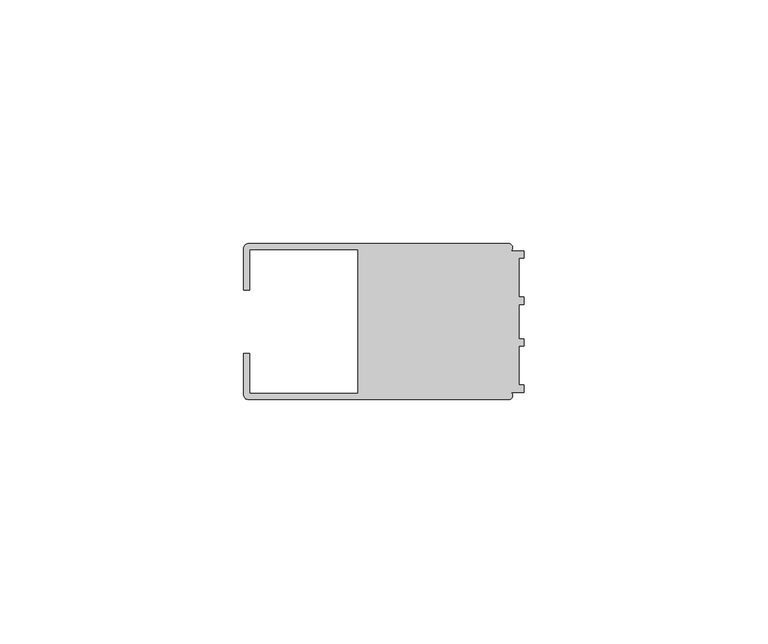
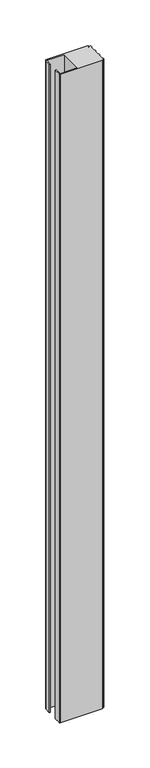
"""IFC4 building model written with IfcOpenShell, lengths in millimetres: member geometry."""

from ifc_helpers import new_model, si_unit, point, frame, frame_2d, origin, place, context, project, spatial, polyline, circle_curve, trimmed, segment, composite_curve, outline, extrude, source, transform, mapped, element, save


def member_31375ed7(model_context):
    return source(origin(), model_context, "Body", "SweptSolid", [
        extrude(outline(composite_curve([segment(polyline([(-57.5, -6.4992596), (-56.2495396, -6.4992596), (-56.2495396, -14.748825), (-34.0, -14.748825), (-34.0, 14.7490791), (-56.2495396, 14.7490791), (-56.2495396, 6.4995138), (-57.5, 6.4995138), (-57.5, 14.9988146)]), True, "CONTINUOUS"), segment(trimmed(circle_curve(frame_2d((-56.4988146, 14.9988146)), 1.0011854), [point((-57.5, 14.9988146))], [point((-56.4988146, 16.0))], False, "CARTESIAN"), True, "CONTINUOUS"), segment(polyline([(-56.4988146, 16.0), (-3.1117213, 16.0)]), True, "CONTINUOUS"), segment(trimmed(circle_curve(frame_2d((-3.1117213, 15.2000428)), 0.7999572), [point((-3.1117213, 16.0))], [point((-2.7237818, 14.5004469))], False, "CARTESIAN"), True, "CONTINUOUS"), segment(polyline([(-2.7237818, 14.5004469), (0.0, 14.5004469), (0.0, 13.0002136), (-0.999267, 13.0002136), (-0.999267, 5.0005709), (0.0, 5.0005709), (0.0, 3.5391588), (-0.999267, 3.5001879), (-0.999267, -3.5001879), (0.0, -3.5378881), (0.0, -4.9993001), (-0.999267, -4.9993001), (-0.999267, -12.9993664), (0.0, -12.9993664), (0.0, -14.4989182), (-2.7260256, -14.4989182)]), True, "CONTINUOUS"), segment(trimmed(circle_curve(frame_2d((-3.1117577, -15.2001372)), 0.8003107), [point((-2.7260256, -14.4989182))], [point((-3.1385263, -16.0))], False, "CARTESIAN"), True, "CONTINUOUS"), segment(polyline([(-3.1385263, -16.0), (-56.498921, -16.0)]), True, "CONTINUOUS"), segment(trimmed(circle_curve(frame_2d((-56.498921, -14.998921)), 1.001079), [point((-56.498921, -16.0))], [point((-57.5, -14.998921))], False, "CARTESIAN"), True, "CONTINUOUS"), segment(polyline([(-57.5, -14.998921), (-57.5, -6.4992596)]), True, "CONTINUOUS")], self_intersect=False)), frame((0.0, 0.0, -876.0), z_axis=(0.0, 0.0, 1.0), x_axis=(1.0, 0.0, 0.0)), (0.0, 0.0, 1.0), 876.0),
    ])


if __name__ == "__main__":
    model = new_model("IFC4")
    model_context = context("Model", 3, world=origin())
    ifc_project = project(units=[si_unit("LENGTHUNIT", "METRE", prefix="MILLI")], contexts=[model_context])
    site = spatial("IfcSite", under=ifc_project)
    building = spatial("IfcBuilding", under=site)
    placement = place(None, origin())
    member_shape = member_31375ed7(model_context)
    element("IfcMember", 1, at=placement, inside=building, context=model_context, shape_type="MappedRepresentation", body=[
        mapped(member_shape, transform((0.0, 0.0, 0.0), x_axis=(1.0, 0.0, 0.0), y_axis=(0.0, 1.0, 0.0), z_axis=(0.0, 0.0, 1.0))),
    ])
    save(model, "model.ifc")
